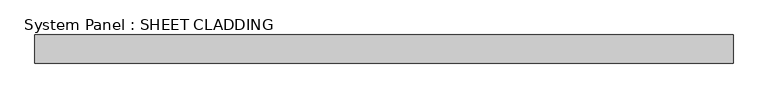
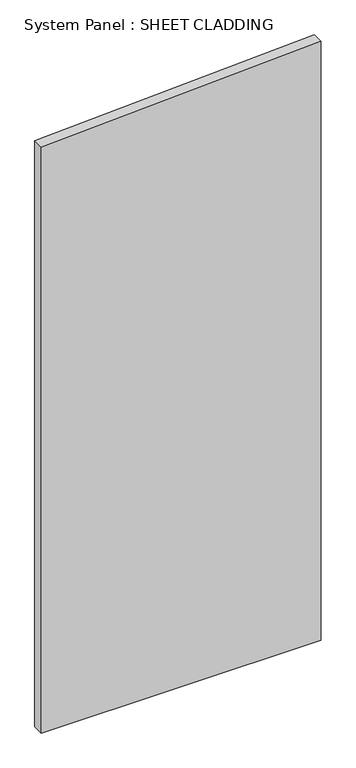
"""IFC4 building model written with IfcOpenShell, lengths in millimetres: plate geometry, System Panel : SHEET CLADDING."""

import ifcopenshell
import ifcopenshell.guid

model = None  # the IFC model being written
_history = None  # IfcOwnerHistory: only IFC2X3 demands one
_inside = {}  # id of a spatial element -> (the spatial element, [elements in it])
_under = {}  # id of a project, library or spatial element -> (it, [spatial elements below it])
_declared = {}  # id of a project -> (the project, [libraries it declares])
_typed = {}  # id of a type object -> (the type object, [elements of that type])
_made_of = {}  # id of a material, layer set ... -> (it, [elements and type objects made of it])


def new_model(schema):
    """Start an empty IFC model of exactly this schema.

    Asked for "IFC4X3", IfcOpenShell would pick the latest addendum, in which some entities
    have other attributes; the version numbers below select the first issue.
    IFC2X3 requires an IfcOwnerHistory on every rooted entity: one is made here for all.
    """
    global model, _history
    if schema == "IFC4X3":
        model = ifcopenshell.file(schema_version=(4, 3, 0, 0))
    else:
        model = ifcopenshell.file(schema=schema)
    _inside.clear()
    _under.clear()
    _declared.clear()
    _typed.clear()
    _made_of.clear()
    _history = None
    if model.schema == "IFC2X3":
        org = make("IfcOrganization", Name="unknown")
        user = make(
            "IfcPersonAndOrganization",
            ThePerson=make("IfcPerson", FamilyName="unknown"),
            TheOrganization=org,
        )
        app = make(
            "IfcApplication",
            ApplicationDeveloper=org,
            Version="unknown",
            ApplicationFullName="unknown",
            ApplicationIdentifier="unknown",
        )
        _history = make(
            "IfcOwnerHistory",
            OwningUser=user,
            OwningApplication=app,
            ChangeAction="ADDED",
            CreationDate=0,
        )
    return model


def make(cls, **values):
    """One entity of the class cls with the attributes given. An attribute that is None is left unset."""
    return model.create_entity(
        cls, **{name: value for name, value in values.items() if value is not None}
    )


def rooted(cls, **values):
    """An entity with a GlobalId (a new one), such as an element, a storey or a relation."""
    return make(cls, GlobalId=ifcopenshell.guid.new(), OwnerHistory=_history, **values)


def si_unit(unit_type, name, prefix=None):
    """IfcSIUnit, for example si_unit("LENGTHUNIT", "METRE", prefix="MILLI")."""
    return make("IfcSIUnit", UnitType=unit_type, Prefix=prefix, Name=name)


def assignment(units):
    """IfcUnitAssignment: the units of a project."""
    return None if units is None else make("IfcUnitAssignment", Units=units)


def point(xyz):
    """IfcCartesianPoint."""
    return None if xyz is None else make("IfcCartesianPoint", Coordinates=xyz)


def direction(xyz):
    """IfcDirection."""
    return None if xyz is None else make("IfcDirection", DirectionRatios=xyz)


def frame(location, z_axis=None, x_axis=None):
    """IfcAxis2Placement3D, a coordinate frame: its origin and axes. An axis left out is left unset."""
    return make(
        "IfcAxis2Placement3D",
        Location=point(location),
        Axis=direction(z_axis),
        RefDirection=direction(x_axis),
    )


def origin():
    """The frame at (0, 0, 0) with its axes left unset."""
    return frame((0.0, 0.0, 0.0))


def place(relative_to, where):
    """IfcLocalPlacement: puts the frame where relative to a parent placement (None: the world)."""
    return make(
        "IfcLocalPlacement", PlacementRelTo=relative_to, RelativePlacement=where
    )


def context(
    kind, dimensions, precision=None, world=None, true_north=None, identifier=None
):
    """IfcGeometricRepresentationContext, for example the 3D "Model" context."""
    return make(
        "IfcGeometricRepresentationContext",
        ContextIdentifier=identifier,
        ContextType=kind,
        CoordinateSpaceDimension=dimensions,
        Precision=precision,
        WorldCoordinateSystem=world,
        TrueNorth=true_north,
    )


def project(units=None, contexts=None):
    """IfcProject with its units and contexts."""
    return rooted(
        "IfcProject",
        Name="project",
        RepresentationContexts=contexts,
        UnitsInContext=assignment(units),
    )


def spatial(cls, under=None, at=None, **own):
    """A site, building, storey or space (cls), placed at a placement, below another one or the project."""
    s = rooted(cls, ObjectPlacement=at, **own)
    if under is not None:
        _under.setdefault(under.id(), (under, []))[1].append(s)
    return s


def polyline(points):
    """IfcPolyline through the points."""
    return make("IfcPolyline", Points=[point(p) for p in points])


def outline(outer, holes=None, kind="AREA"):
    """IfcArbitraryClosedProfileDef: a profile drawn as a closed curve; with holes, ...WithVoids."""
    if holes is None:
        return make("IfcArbitraryClosedProfileDef", ProfileType=kind, OuterCurve=outer)
    return make(
        "IfcArbitraryProfileDefWithVoids",
        ProfileType=kind,
        OuterCurve=outer,
        InnerCurves=holes,
    )


def extrude(swept, where, along, depth):
    """IfcExtrudedAreaSolid: the profile swept, set in the frame where, extruded along a direction by depth."""
    return make(
        "IfcExtrudedAreaSolid",
        SweptArea=swept,
        Position=where,
        ExtrudedDirection=direction(along),
        Depth=depth,
    )


def shape(context_of_items, identifier, shape_type, items):
    """IfcShapeRepresentation: the items that make up one representation, for example the "Body"."""
    return make(
        "IfcShapeRepresentation",
        ContextOfItems=context_of_items,
        RepresentationIdentifier=identifier,
        RepresentationType=shape_type,
        Items=items,
    )


def source(mapping_origin, context_of_items, identifier, shape_type, items):
    """IfcRepresentationMap: a shape defined once, which mapped items show again and again."""
    return make(
        "IfcRepresentationMap",
        MappingOrigin=mapping_origin,
        MappedRepresentation=shape(context_of_items, identifier, shape_type, items),
    )


def transform(
    local_origin,
    x_axis=None,
    y_axis=None,
    z_axis=None,
    scale=None,
    scale2=None,
    scale3=None,
    uniform=True,
):
    """IfcCartesianTransformationOperator3D, or its non-uniform kind. x_axis, y_axis, z_axis: its Axis1, 2, 3."""
    if uniform:
        return make(
            "IfcCartesianTransformationOperator3D",
            Axis1=direction(x_axis),
            Axis2=direction(y_axis),
            LocalOrigin=point(local_origin),
            Scale=scale,
            Axis3=direction(z_axis),
        )
    return make(
        "IfcCartesianTransformationOperator3DnonUniform",
        Axis1=direction(x_axis),
        Axis2=direction(y_axis),
        LocalOrigin=point(local_origin),
        Scale=scale,
        Axis3=direction(z_axis),
        Scale2=scale2,
        Scale3=scale3,
    )


def mapped(mapping_source, mapping_target):
    """IfcMappedItem: shows the shape of a source again, moved by a transform."""
    return make(
        "IfcMappedItem", MappingSource=mapping_source, MappingTarget=mapping_target
    )


def made_of(thing, what):
    """Note that an element or type object is made of a material, layer set ...; save() writes the relation."""
    if what is not None:
        _made_of.setdefault(what.id(), (what, []))[1].append(thing)
    return thing


def element(
    cls,
    number,
    at=None,
    inside=None,
    cuts=None,
    type_object=None,
    material=None,
    context=None,
    identifier="Body",
    shape_type=None,
    held_by="IfcProductDefinitionShape",
    body=None,
    shapes=None,
    **own,
):
    """One element of the class cls, such as IfcWall. Its Tag is "e" and its number.

    at: its placement. inside: the storey or other place that contains it. cuts: it is an
    opening in that element (IfcRelVoidsElement). A single representation is given by context,
    identifier, shape_type and body (its items); several are given by shapes. held_by: the class
    of the entity that holds the representations. save() writes the other relations.
    """
    e = rooted(cls, Tag="e%d" % number, ObjectPlacement=at, **own)
    if body is not None:
        shapes = [shape(context, identifier, shape_type, body)]
    if shapes is not None:
        e.Representation = make(held_by, Representations=shapes)
    if inside is not None:
        _inside.setdefault(inside.id(), (inside, []))[1].append(e)
    if cuts is not None:
        rooted(
            "IfcRelVoidsElement", RelatingBuildingElement=cuts, RelatedOpeningElement=e
        )
    if type_object is not None:
        _typed.setdefault(type_object.id(), (type_object, []))[1].append(e)
    return made_of(e, material)


def aggregate(whole, parts):
    """IfcRelAggregates: a whole, such as a stair, and the parts it consists of."""
    return rooted("IfcRelAggregates", RelatingObject=whole, RelatedObjects=parts)


def save(model, path):
    """Write the relations noted so far, then the file.

    IfcRelAggregates (storeys below a building ...), IfcRelContainedInSpatialStructure (elements
    in a storey), IfcRelDefinesByType, IfcRelAssociatesMaterial and IfcRelDeclares: one each for
    every whole, place, type object, material and project.
    """
    for whole, parts in _under.values():
        aggregate(whole, parts)
    for where, things in _inside.values():
        rooted(
            "IfcRelContainedInSpatialStructure",
            RelatedElements=things,
            RelatingStructure=where,
        )
    for kind, things in _typed.values():
        rooted("IfcRelDefinesByType", RelatedObjects=things, RelatingType=kind)
    for what, things in _made_of.values():
        rooted("IfcRelAssociatesMaterial", RelatedObjects=things, RelatingMaterial=what)
    for by, libraries in _declared.values():
        rooted("IfcRelDeclares", RelatingContext=by, RelatedDefinitions=libraries)
    model.write(path)


def system_panel_sheet_cladding_b8803c3a(model_context):
    return source(origin(), model_context, "Body", "SweptSolid", [
        extrude(outline(polyline([(0.0, -735.4591837), (0.0, 735.4591837), (3329.2836735, 735.4591837), (3255.7377551, -735.4591837), (0.0, -735.4591837)])), frame((0.0, -10.5, 0.0), z_axis=(0.0, 1.0, 0.0), x_axis=(0.0, 0.0, 1.0)), (0.0, 0.0, 1.0), 60.0),
    ])


if __name__ == "__main__":
    model = new_model("IFC4")
    model_context = context("Model", 3, world=origin())
    ifc_project = project(units=[si_unit("LENGTHUNIT", "METRE", prefix="MILLI")], contexts=[model_context])
    site = spatial("IfcSite", under=ifc_project)
    building = spatial("IfcBuilding", under=site)
    placement = place(None, origin())
    system_panel_sheet_cladding_shape = system_panel_sheet_cladding_b8803c3a(model_context)
    element("IfcPlate", 1, ObjectType="System Panel : SHEET CLADDING", at=placement, inside=building, context=model_context, shape_type="MappedRepresentation", body=[
        mapped(system_panel_sheet_cladding_shape, transform((0.0, 0.0, 0.0), x_axis=(1.0, 0.0, 0.0), y_axis=(0.0, 1.0, 0.0), z_axis=(0.0, 0.0, 1.0))),
    ])
    save(model, "model.ifc")
